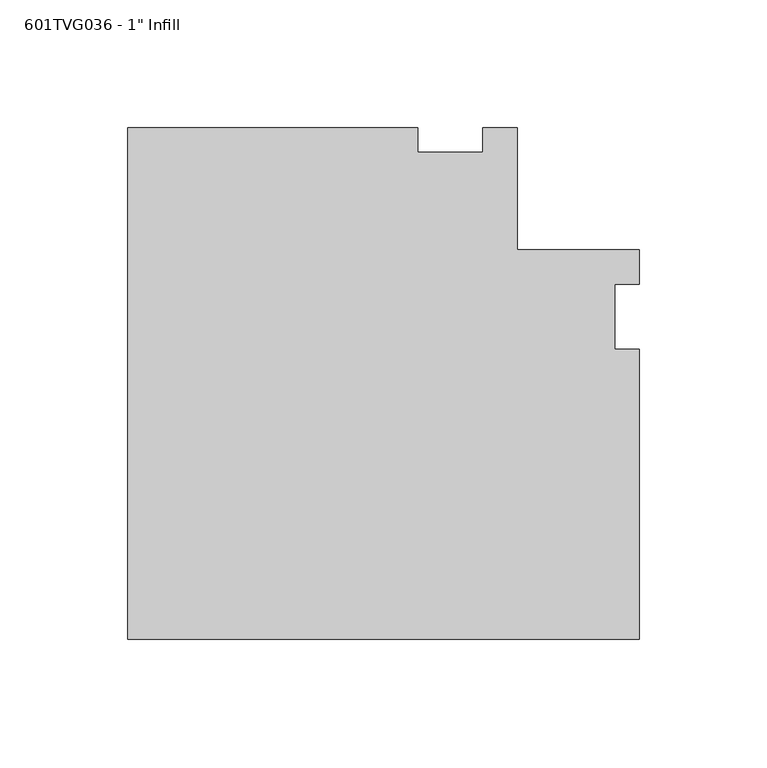
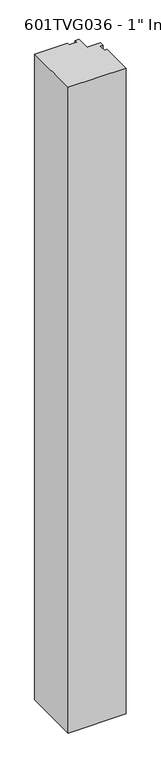
"""IFC4 building model written with IfcOpenShell, lengths in millimetres: proxy geometry."""

from ifc_helpers import new_model, si_unit, frame, origin, place, context, project, spatial, polyline, outline, extrude, source, transform, mapped, element, save


def proxy_8c45d21e(model_context):
    return source(origin(), model_context, "Body", "SweptSolid", [
        extrude(outline(polyline([(-126.20625, -126.20625), (-126.20625, 73.97115), (-12.7, 73.97115), (-12.7, 64.44615), (12.7, 64.44615), (12.7, 73.97115), (26.1919183, 73.97115), (26.1919183, 26.19375), (73.97115, 26.19375), (73.97115, 12.7), (64.44615, 12.7), (64.44615, -12.7), (73.97115, -12.7), (73.97115, -126.20625), (-126.20625, -126.20625)])), frame((0.0, 0.0, 50.8), z_axis=(0.0, 0.0, 1.0), x_axis=(1.0, 0.0, 0.0)), (0.0, 0.0, 1.0), 2355.85),
    ])


if __name__ == "__main__":
    model = new_model("IFC4")
    model_context = context("Model", 3, world=origin())
    ifc_project = project(units=[si_unit("LENGTHUNIT", "METRE", prefix="MILLI")], contexts=[model_context])
    site = spatial("IfcSite", under=ifc_project)
    building = spatial("IfcBuilding", under=site)
    placement = place(None, origin())
    proxy_shape = proxy_8c45d21e(model_context)
    element("IfcBuildingElementProxy", 1, Name="601TVG036 - 1\" Infill", ObjectType="601TVG036 - 1\" Infill", at=placement, inside=building, context=model_context, shape_type="MappedRepresentation", body=[
        mapped(proxy_shape, transform((0.0, 0.0, 0.0), x_axis=(1.0, 0.0, 0.0), y_axis=(0.0, 1.0, 0.0), z_axis=(0.0, 0.0, 1.0))),
    ])
    save(model, "model.ifc")
